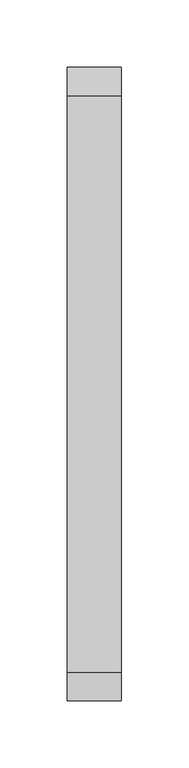
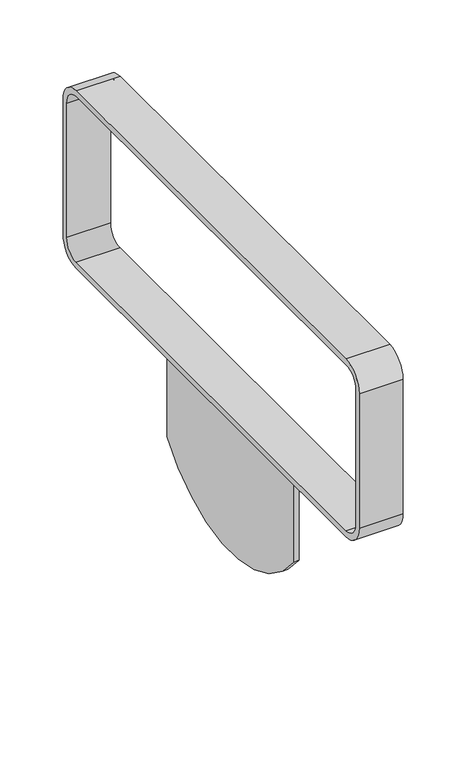
"""IFC4 building model written with IfcOpenShell, lengths in millimetres: furniture geometry."""

from ifc_helpers import new_model, si_unit, frame, origin, place, context, project, spatial, polyline, circle_curve, source, transform, mapped, element, save
from ifc_brep_helpers import plane_surface, cylinder_surface, revolved_surface, advanced_brep


def furniture_0f67868e(model_context):
    return source(origin(), model_context, "Body", "AdvancedBrep", [
        advanced_brep(
        [(826.379425, 100.0002401, 347.7588499), (826.379425, -99.9997599, 347.7588499), (826.379425, -99.9997599, 447.7588499), (826.379425, 100.0002401, 447.7588499), (831.379425, 100.0002401, 347.7588499), (831.379425, 100.0002401, 447.7588499), (831.379425, -99.9997599, 447.7588499), (831.379425, -99.9997599, 347.7588499), (848.879425, 235.0, 468.7588499), (848.879425, 235.0, 598.7588499), (848.879425, 214.0, 619.7588499), (848.879425, -214.0, 619.7588499), (848.879425, -235.0, 598.7588499), (848.879425, -235.0, 468.7588499), (848.879425, -214.0, 447.7588499), (848.879425, 214.0, 447.7588499), (848.879425, 214.0, 453.7588499), (848.879425, -214.0, 453.7588499), (848.879425, -229.0, 468.7588499), (848.879425, -229.0, 598.7588499), (848.879425, -214.0, 613.7588499), (848.879425, 214.0, 613.7588499), (848.879425, 229.0, 598.7588499), (848.879425, 229.0, 468.7588499), (808.879425, 235.0, 468.7588499), (808.879425, 214.0, 447.7588499), (808.879425, -214.0, 447.7588499), (808.879425, -235.0, 468.7588499), (808.879425, -235.0, 598.7588499), (808.879425, -214.0, 619.7588499), (808.879425, 214.0, 619.7588499), (808.879425, 235.0, 598.7588499), (808.879425, 214.0, 453.7588499), (808.879425, 229.0, 468.7588499), (808.879425, 229.0, 598.7588499), (808.879425, 214.0, 613.7588499), (808.879425, -214.0, 613.7588499), (808.879425, -229.0, 598.7588499), (808.879425, -229.0, 468.7588499), (808.879425, -214.0, 453.7588499)],
        [
            (0, 1, circle_curve(frame((826.379425, 0.0002401, 421.080061), z_axis=(-1.0, 0.0, 0.0), x_axis=(0.0, -0.8064516129032312, -0.5913000896717141)), 124.0)),
            (1, 2),
            (2, 3),
            (3, 0),
            (4, 5),
            (5, 6),
            (6, 7),
            (7, 4, circle_curve(frame((831.379425, 0.0002401, 421.080061), z_axis=(1.0, 0.0, 0.0), x_axis=(0.0, -0.8064516129032312, -0.5913000896717141)), 124.0)),
            (3, 5),
            (4, 0),
            (1, 7),
            (6, 2),
            (8, 9),
            (9, 10, circle_curve(frame((848.879425, 214.0, 598.7588499), z_axis=(1.0, 0.0, 0.0), x_axis=(0.0, 1.0, 0.0)), 21.0)),
            (10, 11),
            (11, 12, circle_curve(frame((848.879425, -214.0, 598.7588499), z_axis=(1.0, 0.0, 0.0), x_axis=(0.0, 0.0, 1.0)), 21.0)),
            (12, 13),
            (13, 14, circle_curve(frame((848.879425, -214.0, 468.7588499), z_axis=(1.0, 0.0, 0.0), x_axis=(0.0, -1.0, 0.0)), 21.0)),
            (14, 15),
            (15, 8, circle_curve(frame((848.879425, 214.0, 468.7588499), z_axis=(1.0, 0.0, 0.0), x_axis=(0.0, 0.0, -1.0)), 21.0)),
            (16, 17),
            (17, 18, circle_curve(frame((848.879425, -214.0, 468.7588499), z_axis=(-1.0, 0.0, 0.0), x_axis=(0.0, -1.0, 0.0)), 15.0)),
            (18, 19),
            (19, 20, circle_curve(frame((848.879425, -214.0, 598.7588499), z_axis=(-1.0, 0.0, 0.0), x_axis=(0.0, 0.0, 1.0)), 15.0)),
            (20, 21),
            (21, 22, circle_curve(frame((848.879425, 214.0, 598.7588499), z_axis=(-1.0, 0.0, 0.0), x_axis=(0.0, 1.0, 0.0)), 15.0)),
            (22, 23),
            (23, 16, circle_curve(frame((848.879425, 214.0, 468.7588499), z_axis=(-1.0, 0.0, 0.0), x_axis=(0.0, 0.0, -1.0)), 15.0)),
            (24, 25, circle_curve(frame((808.879425, 214.0, 468.7588499), z_axis=(-1.0, 0.0, 0.0), x_axis=(0.0, 0.0, -1.0)), 21.0)),
            (25, 26),
            (26, 27, circle_curve(frame((808.879425, -214.0, 468.7588499), z_axis=(-1.0, 0.0, 0.0), x_axis=(0.0, -1.0, 0.0)), 21.0)),
            (27, 28),
            (28, 29, circle_curve(frame((808.879425, -214.0, 598.7588499), z_axis=(-1.0, 0.0, 0.0), x_axis=(0.0, 0.0, 1.0)), 21.0)),
            (29, 30),
            (30, 31, circle_curve(frame((808.879425, 214.0, 598.7588499), z_axis=(-1.0, 0.0, 0.0), x_axis=(0.0, 1.0, 0.0)), 21.0)),
            (31, 24),
            (32, 33, circle_curve(frame((808.879425, 214.0, 468.7588499), z_axis=(1.0, 0.0, 0.0), x_axis=(0.0, 0.0, -1.0)), 15.0)),
            (33, 34),
            (34, 35, circle_curve(frame((808.879425, 214.0, 598.7588499), z_axis=(1.0, 0.0, 0.0), x_axis=(0.0, 1.0, 0.0)), 15.0)),
            (35, 36),
            (36, 37, circle_curve(frame((808.879425, -214.0, 598.7588499), z_axis=(1.0, 0.0, 0.0), x_axis=(0.0, 0.0, 1.0)), 15.0)),
            (37, 38),
            (38, 39, circle_curve(frame((808.879425, -214.0, 468.7588499), z_axis=(1.0, 0.0, 0.0), x_axis=(0.0, -1.0, 0.0)), 15.0)),
            (39, 32),
            (8, 24),
            (31, 9),
            (30, 10),
            (29, 11),
            (28, 12),
            (27, 13),
            (26, 14),
            (25, 15),
            (16, 32),
            (39, 17),
            (38, 18),
            (37, 19),
            (36, 20),
            (35, 21),
            (34, 22),
            (33, 23),
        ],
        [
            plane_surface(frame((826.379425, -99.9997599, 347.7588499), z_axis=(-1.0000000000000002, 0.0, 0.0), x_axis=(0.0, -0.5913000896717141, 0.8064516129032312))),
            plane_surface(frame((831.379425, -99.9997599, 347.7588499), z_axis=(1.0000000000000002, 0.0, 0.0), x_axis=(0.0, 0.5913000896717141, -0.8064516129032312))),
            plane_surface(frame((826.379425, 100.0002401, 447.7588499), z_axis=(0.0, 1.0, 0.0), x_axis=(1.0, 0.0, 0.0))),
            plane_surface(frame((826.379425, -99.9997599, 347.7588499), z_axis=(0.0, -1.0, 0.0), x_axis=(1.0, 0.0, 0.0))),
            cylinder_surface(frame((831.379425, 0.0002401, 421.080061), z_axis=(-1.0000000000000002, 0.0, 0.0), x_axis=(0.0, -0.8064516129032312, -0.5913000896717141)), 124.0),
            plane_surface(frame((848.879425, 235.0, 468.7588499), z_axis=(1.0, 0.0, 0.0), x_axis=(0.0, 0.0, 1.0))),
            plane_surface(frame((808.879425, 235.0, 468.7588499), z_axis=(-1.0, 0.0, 0.0), x_axis=(0.0, 0.0, -1.0))),
            plane_surface(frame((848.879425, 235.0, 468.7588499), z_axis=(0.0, 1.0, 0.0), x_axis=(-1.0, 0.0, 0.0))),
            cylinder_surface(frame((808.879425, 214.0, 598.7588499), z_axis=(1.0, 0.0, 0.0), x_axis=(0.0, 1.0, 0.0)), 21.0),
            plane_surface(frame((848.879425, 214.0, 619.7588499), z_axis=(0.0, 0.0, 1.0), x_axis=(-1.0, 0.0, 0.0))),
            cylinder_surface(frame((808.879425, -214.0, 598.7588499), z_axis=(1.0, 0.0, 0.0), x_axis=(0.0, 0.0, 1.0)), 21.0),
            plane_surface(frame((848.879425, -235.0, 598.7588499), z_axis=(0.0, -1.0, 0.0), x_axis=(-1.0, 0.0, 0.0))),
            cylinder_surface(frame((808.879425, -214.0, 468.7588499), z_axis=(1.0, 0.0, 0.0), x_axis=(0.0, -1.0, 0.0)), 21.0),
            plane_surface(frame((848.879425, -214.0, 447.7588499), z_axis=(0.0, 0.0, -1.0), x_axis=(-1.0, 0.0, 0.0))),
            cylinder_surface(frame((808.879425, 214.0, 468.7588499), z_axis=(1.0, 0.0, 0.0), x_axis=(0.0, 0.0, -1.0)), 21.0),
            plane_surface(frame((848.879425, 214.0, 453.7588499), z_axis=(0.0, 0.0, 1.0), x_axis=(-1.0, 0.0, 0.0))),
            revolved_surface(polyline([(808.879425, -229.0, 468.7588499), (848.879425, -229.0, 468.7588499)]), (0.0, -214.0, 468.7588499), (-1.0, 0.0, 0.0)),
            plane_surface(frame((848.879425, -229.0, 468.7588499), z_axis=(0.0, 1.0, 0.0), x_axis=(-1.0, 0.0, 0.0))),
            revolved_surface(polyline([(808.879425, -214.0, 613.7588499), (848.879425, -214.0, 613.7588499)]), (0.0, -214.0, 598.7588499), (-1.0, 0.0, 0.0)),
            plane_surface(frame((848.879425, -214.0, 613.7588499), z_axis=(0.0, 0.0, -1.0), x_axis=(-1.0, 0.0, 0.0))),
            revolved_surface(polyline([(808.879425, 229.0, 598.7588499), (848.879425, 229.0, 598.7588499)]), (0.0, 214.0, 598.7588499), (-1.0, 0.0, 0.0)),
            plane_surface(frame((848.879425, 229.0, 598.7588499), z_axis=(0.0, -1.0, 0.0), x_axis=(-1.0, 0.0, 0.0))),
            revolved_surface(polyline([(808.879425, 214.0, 453.7588499), (848.879425, 214.0, 453.7588499)]), (0.0, 214.0, 468.7588499), (-1.0, 0.0, 0.0)),
        ],
        [
            (0, [[1, 2, 3, 4]]),
            (1, [[5, 6, 7, 8]]),
            (2, [[-4, 9, -5, 10]]),
            (3, [[-2, 11, -7, 12]]),
            (4, [[-1, -10, -8, -11]]),
            (5, [[13, 14, 15, 16, 17, 18, 19, 20], [21, 22, 23, 24, 25, 26, 27, 28]]),
            (6, [[29, 30, 31, 32, 33, 34, 35, 36], [37, 38, 39, 40, 41, 42, 43, 44]]),
            (7, [[-13, 45, -36, 46]]),
            (8, [[-14, -46, -35, 47]]),
            (9, [[-15, -47, -34, 48]]),
            (10, [[-16, -48, -33, 49]]),
            (11, [[-17, -49, -32, 50]]),
            (12, [[-18, -50, -31, 51]]),
            (13, [[-19, -51, -30, 52], [-3, -12, -6, -9]]),
            (14, [[-20, -52, -29, -45]]),
            (15, [[-21, 53, -44, 54]]),
            (16, [[-22, -54, -43, 55]]),
            (17, [[-23, -55, -42, 56]]),
            (18, [[-24, -56, -41, 57]]),
            (19, [[-25, -57, -40, 58]]),
            (20, [[-26, -58, -39, 59]]),
            (21, [[-27, -59, -38, 60]]),
            (22, [[-28, -60, -37, -53]]),
        ],
    ),
    ])


if __name__ == "__main__":
    model = new_model("IFC4")
    model_context = context("Model", 3, world=origin())
    ifc_project = project(units=[si_unit("LENGTHUNIT", "METRE", prefix="MILLI")], contexts=[model_context])
    site = spatial("IfcSite", under=ifc_project)
    building = spatial("IfcBuilding", under=site)
    placement = place(None, origin())
    furniture_shape = furniture_0f67868e(model_context)
    element("IfcFurniture", 1, at=placement, inside=building, context=model_context, shape_type="MappedRepresentation", body=[
        mapped(furniture_shape, transform((0.0, 0.0, 0.0), x_axis=(1.0, 0.0, 0.0), y_axis=(0.0, 1.0, 0.0), z_axis=(0.0, 0.0, 1.0))),
    ])
    save(model, "model.ifc")
